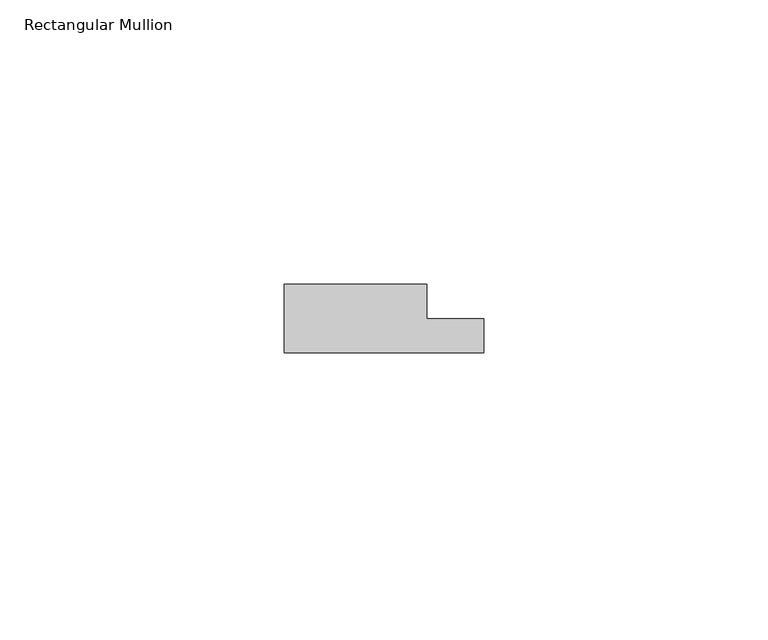
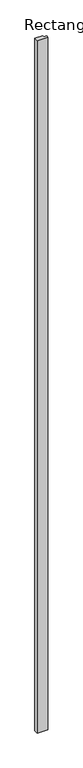
"""IFC4 building model written with IfcOpenShell, lengths in millimetres: member geometry, Rectangular Mullion."""

from ifc_helpers import new_model, si_unit, frame, origin, place, context, project, spatial, polyline, outline, extrude, source, transform, mapped, element, save


def rectangular_mullion_d8d97f00(model_context):
    return source(origin(), model_context, "Body", "SweptSolid", [
        extrude(outline(polyline([(17.5, 0.0), (-17.5, 0.0), (-17.5, 12.0), (7.5, 12.0), (7.5, 6.0), (17.5, 6.0), (17.5, 0.0)])), frame((0.0, 0.0, -2400.0), z_axis=(0.0, 0.0, 1.0), x_axis=(1.0, 0.0, 0.0)), (0.0, 0.0, 1.0), 2400.0),
    ])


if __name__ == "__main__":
    model = new_model("IFC4")
    model_context = context("Model", 3, world=origin())
    ifc_project = project(units=[si_unit("LENGTHUNIT", "METRE", prefix="MILLI")], contexts=[model_context])
    site = spatial("IfcSite", under=ifc_project)
    building = spatial("IfcBuilding", under=site)
    placement = place(None, origin())
    rectangular_mullion_shape = rectangular_mullion_d8d97f00(model_context)
    element("IfcMember", 1, ObjectType="Rectangular Mullion", at=placement, inside=building, context=model_context, shape_type="MappedRepresentation", body=[
        mapped(rectangular_mullion_shape, transform((0.0, 0.0, 0.0), x_axis=(1.0, 0.0, 0.0), y_axis=(0.0, 1.0, 0.0), z_axis=(0.0, 0.0, 1.0))),
    ])
    save(model, "model.ifc")
